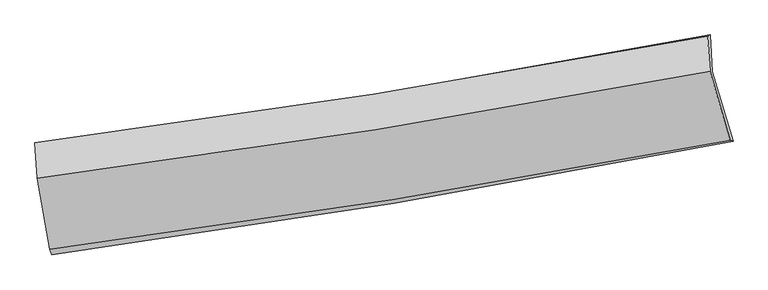
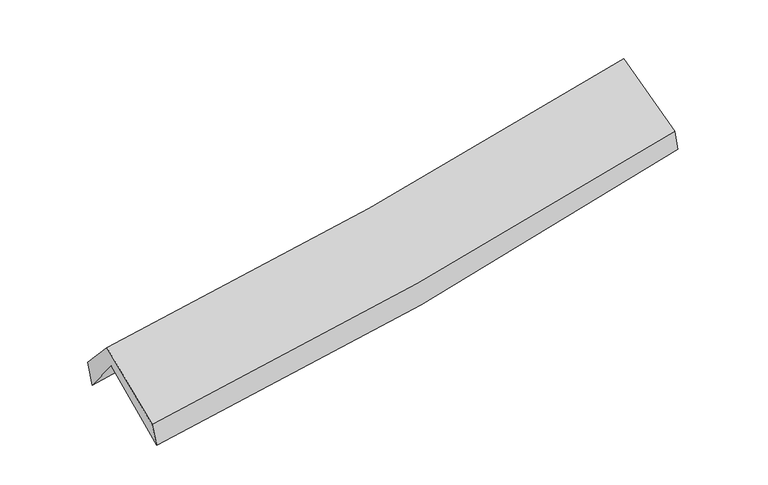
"""IFC4 building model written with IfcOpenShell, lengths in millimetres: proxy geometry."""

from ifc_helpers import new_model, si_unit, frame, origin, place, context, project, spatial, source, transform, mapped, element, save
from ifc_brep_helpers import plane_surface, spline_curve, spline_surface, advanced_brep


def generic_models_96d7eee2(model_context):
    return source(origin(), model_context, "Body", "AdvancedBrep", [
        advanced_brep(
        [(-2346.5920658, -2475.1164517, 1490.4008291), (-2437.6161426, -1973.1882111, 1924.4372331), (2361.4913673, -1171.770079, 2363.2921571), (2509.2086014, -1666.7193487, 1938.0389835), (-2450.6837107, -1713.7151744, 1601.4634145), (2346.7557834, -908.0569778, 2055.0634917), (-2466.9625652, -1678.2483442, 1790.7130135), (2328.1164588, -919.2073329, 2229.1364536), (-2451.8595602, -1931.2804682, 2067.6661896), (2344.6968369, -1166.2812378, 2494.720957), (-2362.1350133, -2435.5763533, 1659.4253246), (2488.0197659, -1657.2699548, 2099.7264575)],
        [
            (0, 1),
            (1, 2, spline_curve(3, [(-2437.6161426, -1973.1882111, 1924.4372331), (-1632.159780108, -1852.159260572, 1979.496957347), (-828.801208377, -1724.730312802, 2043.678981446), (770.886482322, -1457.545745054, 2190.028368717), (1567.230413895, -1317.83531519, 2272.131319418), (2361.4913673, -1171.770079, 2363.2921571)], [4, 2, 4], [0.0, 8.077345184674911, 16.12612268987219])),
            (2, 3),
            (3, 0, spline_curve(3, [(2509.2086014, -1666.7193487, 1938.0389835), (1707.98329999, -1827.335314035, 1832.005290378), (903.44332019, -1974.913518888, 1741.723393496), (-715.133330734, -2244.471934677, 1592.398660796), (-1529.193573272, -2366.359430828, 1533.467839475), (-2346.5920658, -2475.1164517, 1490.4008291)], [4, 2, 4], [0.0, 8.048777505197279, 16.12612268987219])),
            (1, 4),
            (4, 5, spline_curve(3, [(-2450.6837107, -1713.7151744, 1601.4634145), (-1644.653581523, -1593.552823443, 1654.319294586), (-841.148128998, -1466.201815959, 1718.634468637), (757.980542454, -1197.598324742, 1869.915408802), (1553.621587585, -1056.396599791, 1956.800260429), (2346.7557834, -908.0569778, 2055.0634917)], [4, 2, 4], [0.0, 8.029580014248152, 16.0307612832474])),
            (5, 2),
            (4, 6),
            (6, 7, spline_curve(3, [(-2466.9625652, -1678.2483442, 1790.7130135), (-1660.662809163, -1572.4419095, 1840.049625373), (-857.220185126, -1456.154686031, 1901.339078303), (741.119315212, -1203.067010359, 2047.564624047), (1536.036365971, -1066.340563425, 2132.41631816), (2328.1164588, -919.2073329, 2229.1364536)], [4, 2, 4], [0.0, 8.021111051091088, 16.013853309673863])),
            (7, 5),
            (6, 8),
            (8, 9, spline_curve(3, [(-2451.8595602, -1931.2804682, 2067.6661896), (-1645.372628332, -1827.058298319, 2119.641359341), (-841.713031199, -1711.063525168, 2181.297004928), (757.119137315, -1455.980654941, 2323.716947908), (1552.311672603, -1316.975684763, 2404.412891728), (2344.6968369, -1166.2812378, 2494.720957)], [4, 2, 4], [0.0, 8.013332436554284, 15.998323591739348])),
            (9, 7),
            (8, 10),
            (10, 11, spline_curve(3, [(-2362.1350133, -2435.5763533, 1659.4253246), (-1547.18457423, -2329.594572355, 1711.690613833), (-734.818349099, -2211.608688852, 1774.59884032), (881.881663449, -1952.088461704, 1921.441034628), (1686.233698004, -1810.638878707, 2005.299852557), (2488.0197659, -1657.2699548, 2099.7264575)], [4, 2, 4], [0.0, 8.060476122936814, 16.092444228319287])),
            (11, 9),
            (10, 0),
            (3, 11),
        ],
        [
            spline_surface(3, 3, [[(-2346.5920658, -2475.1164517, 1490.4008291), (-1529.193573242, -2366.359430717, 1533.467839495), (-715.133330737, -2244.471934585, 1592.398660714), (903.443320193, -1974.91351898, 1741.723393578), (1707.983300105, -1827.335314143, 1832.005290504), (2509.2086014, -1666.7193487, 1938.0389835)], [(-2376.933424742, -2307.807038166, 1635.079630412), (-1563.515642244, -2194.959373989, 1682.144212101), (-753.022623291, -2071.224727346, 1742.825434275), (859.257707585, -1802.457594315, 1891.158385327), (1661.065671355, -1657.50198121, 1978.71396681), (2459.96952338, -1501.736258827, 2079.790041345)], [(-2407.274783658, -2140.497624634, 1779.758431788), (-1597.837711221, -2023.559317263, 1830.82058477), (-790.911915857, -1897.977520108, 1893.252207805), (815.072094964, -1630.001669651, 2040.593377047), (1614.148042565, -1487.668648195, 2125.42264318), (2410.73044532, -1336.753168873, 2221.541099255)], [(-2437.6161426, -1973.1882111, 1924.4372331), (-1632.159780223, -1852.159260535, 1979.496957376), (-828.801208411, -1724.730312869, 2043.678981366), (770.886482356, -1457.545744987, 2190.028368797), (1567.230413816, -1317.835315261, 2272.131319486), (2361.4913673, -1171.770079, 2363.2921571)]], [4, 4], [4, 2, 4], [0.0, 2.2880648773255], [0.0, 8.077345184674911, 16.12612268987219]),
            spline_surface(3, 3, [[(-2437.6161426, -1973.1882111, 1924.4372331), (-1632.159780223, -1852.159260535, 1979.496957376), (-828.801208411, -1724.730312869, 2043.678981366), (770.886482356, -1457.545744987, 2190.028368797), (1567.230413816, -1317.835315261, 2272.131319486), (2361.4913673, -1171.770079, 2363.2921571)], [(-2441.971998634, -1886.697198847, 1816.77929358), (-1636.324380694, -1765.957114787, 1871.104403104), (-832.916848587, -1638.554147271, 1935.330810464), (766.584502339, -1370.896604861, 2083.324048775), (1562.694138413, -1230.689076704, 2167.020966451), (2356.579505995, -1083.865711903, 2260.54926865)], [(-2446.327854666, -1800.206186653, 1709.12135402), (-1640.488981163, -1679.754969097, 1762.71184879), (-837.032488717, -1552.377981682, 1826.982639586), (762.282522368, -1284.247464744, 1976.619728777), (1558.157863027, -1143.542838236, 2061.910613365), (2351.667644705, -995.961344897, 2157.80638015)], [(-2450.6837107, -1713.7151744, 1601.4634145), (-1644.653581635, -1593.552823349, 1654.319294518), (-841.148128894, -1466.201816084, 1718.634468684), (757.980542351, -1197.598324618, 1869.915408756), (1553.621587624, -1056.396599679, 1956.800260329), (2346.7557834, -908.0569778, 2055.0634917)]], [4, 4], [4, 2, 4], [0.0, 1.3583829570472845], [0.0, 8.029580014248152, 16.0307612832474]),
            spline_surface(3, 3, [[(-2450.6837107, -1713.7151744, 1601.4634145), (-1644.653581635, -1593.552823349, 1654.319294518), (-841.148128894, -1466.201816084, 1718.634468684), (757.980542351, -1197.598324618, 1869.915408756), (1553.621587624, -1056.396599679, 1956.800260329), (2346.7557834, -908.0569778, 2055.0634917)], [(-2456.109995527, -1701.892897669, 1664.546614147), (-1649.989990789, -1586.515852047, 1716.229404826), (-846.505480952, -1462.852772701, 1779.536005172), (752.360133343, -1199.421219885, 1929.131813882), (1547.759847062, -1059.711254285, 2015.338946264), (2340.5426752, -911.773762843, 2113.087812316)], [(-2461.536280373, -1690.070620931, 1727.629813853), (-1655.326399963, -1579.478880737, 1778.139515192), (-851.862833096, -1459.503729336, 1840.437541694), (746.739724249, -1201.24411517, 1988.348219041), (1541.898106499, -1063.025908861, 2073.877632251), (2334.329567, -915.490547857, 2171.112132984)], [(-2466.9625652, -1678.2483442, 1790.7130135), (-1660.662809117, -1572.441909435, 1840.0496255), (-857.220185154, -1456.154685953, 1901.339078183), (741.11931524, -1203.067010437, 2047.564624167), (1536.036365936, -1066.340563467, 2132.416318186), (2328.1164588, -919.2073329, 2229.1364536)]], [4, 4], [4, 2, 4], [0.0, 0.5936726738191809], [0.0, 8.021111051091088, 16.013853309673863]),
            spline_surface(3, 3, [[(-2466.9625652, -1678.2483442, 1790.7130135), (-1660.662809117, -1572.441909435, 1840.0496255), (-857.220185154, -1456.154685953, 1901.339078183), (741.11931524, -1203.067010437, 2047.564624167), (1536.036365936, -1066.340563467, 2132.416318186), (2328.1164588, -919.2073329, 2229.1364536)], [(-2461.928230193, -1762.592385561, 1883.030738884), (-1655.566082175, -1657.314039109, 1933.246870143), (-852.051133839, -1541.124299025, 1994.658387082), (746.452589256, -1287.371558647, 2139.615398799), (1541.461468146, -1149.885603929, 2223.081842702), (2333.643251508, -1001.56530121, 2317.664621402)], [(-2456.893895207, -1846.936426839, 1975.348464216), (-1650.469355254, -1742.186168699, 2026.444114736), (-846.882082505, -1626.093912033, 2087.977695927), (751.78586329, -1371.676106793, 2231.666173376), (1546.886570332, -1233.430644361, 2313.74736721), (2339.170044192, -1083.92326949, 2406.192789198)], [(-2451.8595602, -1931.2804682, 2067.6661896), (-1645.372628312, -1827.058298373, 2119.64135938), (-841.713031189, -1711.063525105, 2181.297004827), (757.119137306, -1455.980655003, 2323.716948008), (1552.311672541, -1316.975684823, 2404.412891726), (2344.6968369, -1166.2812378, 2494.720957)]], [4, 4], [4, 2, 4], [0.0, 1.2364860215099598], [0.0, 8.013332436554284, 15.998323591739348]),
            spline_surface(3, 3, [[(-2451.8595602, -1931.2804682, 2067.6661896), (-1645.372628312, -1827.058298373, 2119.64135938), (-841.713031189, -1711.063525105, 2181.297004827), (757.119137306, -1455.980655003, 2323.716948008), (1552.311672541, -1316.975684823, 2404.412891726), (2344.6968369, -1166.2812378, 2494.720957)], [(-2421.951377893, -2099.379096538, 1931.585901256), (-1612.643276921, -1994.570389669, 1983.657777512), (-806.081470491, -1877.911913034, 2045.730949967), (798.706646015, -1621.34992383, 2189.624976862), (1596.952347725, -1481.530082789, 2271.375211965), (2392.471146558, -1329.944143453, 2363.056123835)], [(-2392.043195607, -2267.477724962, 1795.505612944), (-1579.913925552, -2162.082481052, 1847.674195677), (-770.449909787, -2044.760301053, 1910.164895172), (840.294154729, -1786.719192748, 2055.533005782), (1641.593022936, -1646.084480797, 2138.337532201), (2440.245456242, -1493.607049147, 2231.391290665)], [(-2362.1350133, -2435.5763533, 1659.4253246), (-1547.184574161, -2329.594572347, 1711.690613809), (-734.818349088, -2211.608688981, 1774.598840312), (881.881663439, -1952.088461575, 1921.441034636), (1686.233698121, -1810.638878762, 2005.29985244), (2488.0197659, -1657.2699548, 2099.7264575)]], [4, 4], [4, 2, 4], [0.0, 2.1397570077008132], [0.0, 8.060476122936814, 16.092444228319287]),
            spline_surface(3, 3, [[(-2362.1350133, -2435.5763533, 1659.4253246), (-1547.184574161, -2329.594572347, 1711.690613809), (-734.818349088, -2211.608688981, 1774.598840312), (881.881663439, -1952.088461575, 1921.441034636), (1686.233698121, -1810.638878762, 2005.29985244), (2488.0197659, -1657.2699548, 2099.7264575)], [(-2356.954030811, -2448.756386118, 1603.08382612), (-1541.187573866, -2341.849525156, 1652.283022392), (-728.256676314, -2222.563104201, 1713.865447125), (889.068882347, -1959.696814062, 1861.535154296), (1693.483565441, -1816.20435722, 1947.53499848), (2495.082711059, -1660.419752764, 2045.830632852)], [(-2351.773048289, -2461.936418882, 1546.74232758), (-1535.190573538, -2354.104477909, 1592.875430913), (-721.695003511, -2233.517519365, 1653.132053901), (896.256101285, -1967.305166493, 1801.629273918), (1700.733432785, -1821.769835686, 1889.770144464), (2502.145656241, -1663.569550736, 1991.934808148)], [(-2346.5920658, -2475.1164517, 1490.4008291), (-1529.193573242, -2366.359430717, 1533.467839495), (-715.133330737, -2244.471934585, 1592.398660714), (903.443320193, -1974.91351898, 1741.723393578), (1707.983300105, -1827.335314143, 1832.005290504), (2509.2086014, -1666.7193487, 1938.0389835)]], [4, 4], [4, 2, 4], [0.0, 0.6045046341519362], [0.0, 8.116165169434444, 16.203625362190678]),
            plane_surface(frame((2396.3814689, -1248.2174885, 2196.6630834), z_axis=(0.9746950615174395, 0.1907286125447842, 0.11658530529297749), x_axis=(0.22177815785188057, -0.7597568229478271, -0.6112151983418365))),
            plane_surface(frame((-2419.3081763, -2034.5208338, 1755.6843341), z_axis=(-0.9900742253161403, -0.12638605710990952, -0.06147839403282446), x_axis=(-0.0891826481823803, 0.2268740016625835, 0.9698322755161244))),
        ],
        [
            (0, [[1, 2, 3, 4]]),
            (1, [[5, 6, 7, -2]]),
            (2, [[8, 9, 10, -6]]),
            (3, [[11, 12, 13, -9]]),
            (4, [[14, 15, 16, -12]]),
            (5, [[17, -4, 18, -15]]),
            (6, [[-16, -18, -3, -7, -10, -13]]),
            (7, [[-17, -14, -11, -8, -5, -1]]),
        ],
    ),
    ])


if __name__ == "__main__":
    model = new_model("IFC4")
    model_context = context("Model", 3, world=origin())
    ifc_project = project(units=[si_unit("LENGTHUNIT", "METRE", prefix="MILLI")], contexts=[model_context])
    site = spatial("IfcSite", under=ifc_project)
    building = spatial("IfcBuilding", under=site)
    placement = place(None, origin())
    generic_models_shape = generic_models_96d7eee2(model_context)
    element("IfcBuildingElementProxy", 1, Name="Generic Models", at=placement, inside=building, context=model_context, shape_type="MappedRepresentation", body=[
        mapped(generic_models_shape, transform((0.0, 0.0, 0.0), x_axis=(1.0, 0.0, 0.0), y_axis=(0.0, 1.0, 0.0), z_axis=(0.0, 0.0, 1.0))),
    ])
    save(model, "model.ifc")
